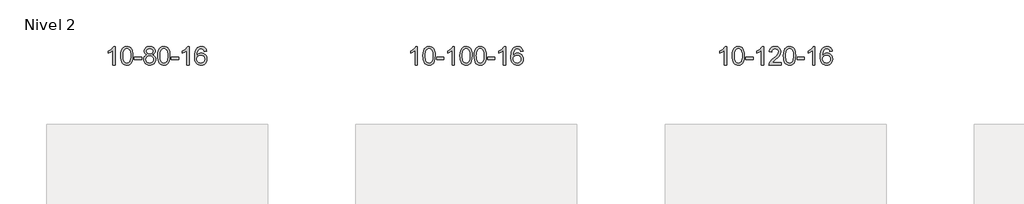
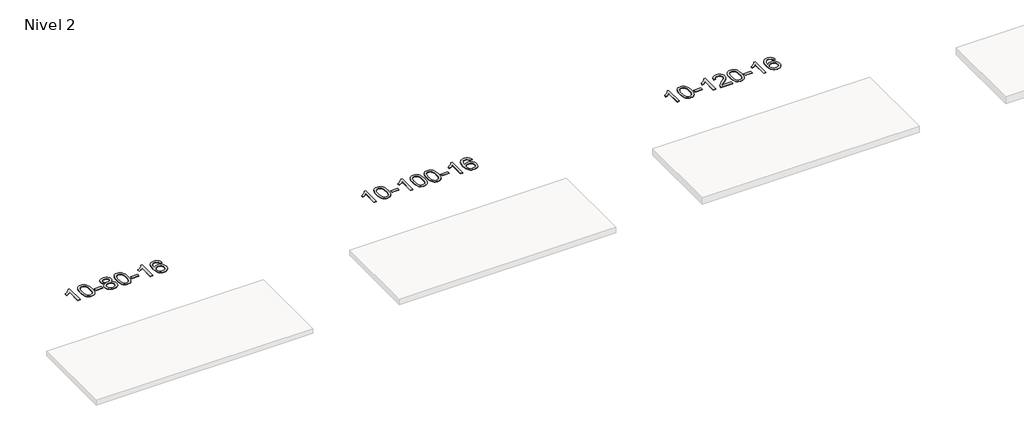
# One storey, part 41 of 51: 3 proxies.
"""IFC4 building model written with IfcOpenShell, lengths in millimetres."""

from ifc_helpers import new_model, si_unit, frame, origin, place, context, project, spatial, polyline, outline, extrude, element, save

model = new_model("IFC4")

# Units and contexts
model_context = context("Model", 3, world=origin())
ifc_project = project(units=[si_unit("LENGTHUNIT", "METRE", prefix="MILLI")], contexts=[model_context])

# Site, building, storey
site = spatial("IfcSite", under=ifc_project)
building = spatial("IfcBuilding", under=site)
storey = spatial("IfcBuildingStorey", under=building, Name="Nivel 2", Elevation=3000.0)

# Proxies
placement = place(None, origin())
element("IfcBuildingElementProxy", 1, Name="Texto de modelo 1", ObjectType="Texto de modelo 1", at=placement, inside=storey, context=model_context, shape_type="SweptSolid", body=[
    extrude(outline(polyline([(11539.5560047, -39113.543941), (11489.3278496, -39113.543941), (11489.3278496, -38800.4027867), (11468.3585759, -38817.3621467), (11441.7484449, -38834.2969812), (11388.8715394, -38859.6563134), (11388.8715394, -38812.1750106), (11428.320752, -38790.7152275), (11462.4969894, -38765.1842171), (11489.4382142, -38738.0345258), (11507.1823891, -38711.7187004), (11539.5560047, -38711.7187004), (11539.5560047, -39113.543941)])), frame((0.0, 0.0, 3000.0), z_axis=(0.0, 0.0, 1.0), x_axis=(1.0, 0.0, 0.0)), (0.0, 0.0, 1.0), 10.0),
    extrude(outline(polyline([(11658.847873, -38915.8686823), (11662.5389556, -38851.5506468), (11673.6122037, -38800.2556339), (11691.9572525, -38761.1988288), (11703.8153155, -38745.9654485), (11717.4637375, -38733.5954164), (11732.9485038, -38724.0243532), (11750.3155997, -38717.1878794), (11790.69678, -38711.7187004), (11821.6479186, -38714.956062), (11849.3616955, -38724.6681467), (11872.5382612, -38740.4748097), (11889.8777659, -38761.9959064), (11902.974365, -38789.0474958), (11913.4222136, -38821.4456369), (11920.2648187, -38862.5871067), (11922.5456871, -38915.8686823), (11918.8913926, -38979.8188358), (11907.9285092, -39030.9912213), (11889.6938249, -39070.0848147), (11877.8633531, -39085.3641802), (11864.2241281, -39097.7985916), (11848.7209677, -39107.4340342), (11831.2986896, -39114.3164932), (11790.69678, -39119.8224604), (11763.032054, -39117.4312275), (11738.5065876, -39110.2575285), (11717.120381, -39098.3013637), (11698.873434, -39081.5627329), (11681.3622511, -39051.3044388), (11668.8542632, -39013.6026657), (11661.3494705, -38968.4574135), (11658.847873, -38915.8686823)]), holes=[polyline([(11709.076028, -38915.7705804), (11710.547556, -38959.4351076), (11714.96214, -38994.7793703), (11722.3197799, -39021.8033685), (11732.6204757, -39040.5071023), (11745.0794126, -39053.2327536), (11758.9117756, -39062.3225046), (11774.1175648, -39067.7763552), (11790.69678, -39069.5943053), (11807.2759953, -39067.7702238), (11822.4817844, -39062.2979791), (11836.3141474, -39053.1775713), (11848.7730843, -39040.4090004), (11859.0737802, -39021.6746098), (11866.4314201, -38994.6567429), (11870.846004, -38959.3553998), (11872.317532, -38915.7705804), (11870.895055, -38873.2618159), (11866.6276238, -38838.5398869), (11859.5152386, -38811.6047935), (11849.5578993, -38792.4565356), (11837.3074288, -38779.1085506), (11823.3156503, -38769.5742755), (11807.5825636, -38763.8537105), (11790.1081688, -38761.9468555), (11773.6147927, -38763.62685), (11758.666521, -38768.6668333), (11745.2633536, -38777.0668055), (11733.4052906, -38788.8267666), (11722.7612383, -38809.673413), (11715.1583437, -38837.7795975), (11710.5966069, -38873.1453199), (11709.076028, -38915.7705804)])]), frame((0.0, 0.0, 3000.0), z_axis=(0.0, 0.0, 1.0), x_axis=(1.0, 0.0, 0.0)), (0.0, 0.0, 1.0), 10.0),
    extrude(outline(polyline([(11953.938284, -38994.2520727), (11953.938284, -38944.0239177), (12110.9012686, -38944.0239177), (12110.9012686, -38994.2520727), (11953.938284, -38994.2520727)])), frame((0.0, 0.0, 3000.0), z_axis=(0.0, 0.0, 1.0), x_axis=(1.0, 0.0, 0.0)), (0.0, 0.0, 1.0), 10.0),
    extrude(outline(polyline([(12228.0348959, -38892.2261327), (12201.142722, -38878.9823809), (12182.2703757, -38861.0297395), (12171.1235512, -38838.7360906), (12167.4079431, -38812.4693162), (12169.4312941, -38791.9844204), (12175.501347, -38773.2040446), (12185.6181019, -38756.1281886), (12199.7815587, -38740.7568526), (12217.3111357, -38728.052661), (12237.5262514, -38718.9782385), (12260.4269056, -38713.5335849), (12286.0130983, -38711.7187004), (12311.7219184, -38713.5765045), (12334.7942509, -38719.1499167), (12355.2300957, -38728.4389371), (12373.0294529, -38741.4435656), (12387.4504271, -38757.1153386), (12397.751123, -38774.4057924), (12403.9315405, -38793.314927), (12405.9916797, -38813.8427423), (12402.3251225, -38839.2633882), (12391.3254508, -38861.1768923), (12372.8700374, -38879.0191691), (12346.8362549, -38892.2261327), (12377.7506052, -38908.1554231), (12400.2527206, -38931.6140317), (12413.974719, -38961.473787), (12418.5487185, -38996.6065175), (12416.2801128, -39021.6592814), (12409.4742959, -39044.6273806), (12398.1312677, -39065.5108152), (12382.2510283, -39084.3095852), (12362.6674434, -39099.8464681), (12340.214379, -39110.9442416), (12314.891835, -39117.6029057), (12286.6998114, -39119.8224604), (12258.5077878, -39117.5937087), (12233.1852438, -39110.9074534), (12210.7321794, -39099.7636946), (12191.1485945, -39084.1624324), (12175.2683551, -39065.231838), (12163.9253269, -39044.1000831), (12157.11951, -39020.7671675), (12154.8509043, -38995.2330914), (12159.6088448, -38958.7391975), (12173.8826662, -38928.7200267), (12196.9366046, -38906.2056486), (12228.0348959, -38892.2261327)]), holes=[polyline([(12217.6360982, -38813.9408442), (12222.0874703, -38835.8666111), (12235.4415867, -38853.377794), (12257.30604, -38864.8557123), (12287.2884226, -38868.681685), (12316.5718294, -38864.8802378), (12338.1051889, -38853.4758959), (12351.3489407, -38836.5533241), (12355.7635246, -38816.1971871), (12351.2017879, -38795.0684978), (12337.5165777, -38777.594103), (12315.6889126, -38765.8586674), (12286.6998114, -38761.9468555), (12257.5267692, -38765.7728283), (12235.7358923, -38777.2507465), (12222.1610467, -38794.0752164), (12217.6360982, -38813.9408442)]), polyline([(12205.0790594, -38993.4672578), (12207.1759868, -39012.6829607), (12213.4667689, -39031.2855269), (12225.0795772, -39047.5091229), (12243.1425832, -39059.5879151), (12264.7740445, -39067.0927078), (12287.0922189, -39069.5943053), (12321.2807189, -39064.3335928), (12335.1743956, -39057.7577022), (12346.9343567, -39048.5514552), (12362.9740117, -39024.6513883), (12368.3205634, -38995.0368877), (12362.8023335, -38964.919615), (12346.2476437, -38940.4922505), (12334.1688515, -38931.049946), (12320.0053947, -38924.3054427), (12285.4244871, -38918.9098401), (12251.7142337, -38924.2318663), (12237.9769068, -38930.8843991), (12226.3181133, -38940.1979449), (12210.3888229, -38964.1593255), (12205.0790594, -38993.4672578)])]), frame((0.0, 0.0, 3000.0), z_axis=(0.0, 0.0, 1.0), x_axis=(1.0, 0.0, 0.0)), (0.0, 0.0, 1.0), 10.0),
    extrude(outline(polyline([(12462.4983542, -38915.8686823), (12466.1894368, -38851.5506468), (12477.2626849, -38800.2556339), (12495.6077337, -38761.1988288), (12507.4657967, -38745.9654485), (12521.1142187, -38733.5954164), (12536.598985, -38724.0243532), (12553.9660809, -38717.1878794), (12594.3472612, -38711.7187004), (12625.2983998, -38714.956062), (12653.0121767, -38724.6681467), (12676.1887424, -38740.4748097), (12693.5282471, -38761.9959064), (12706.6248462, -38789.0474958), (12717.0726948, -38821.4456369), (12723.9152999, -38862.5871067), (12726.1961683, -38915.8686823), (12722.5418738, -38979.8188358), (12711.5789904, -39030.9912213), (12693.3443061, -39070.0848147), (12681.5138343, -39085.3641802), (12667.8746093, -39097.7985916), (12652.3714489, -39107.4340342), (12634.9491708, -39114.3164932), (12594.3472612, -39119.8224604), (12566.6825352, -39117.4312275), (12542.1570688, -39110.2575285), (12520.7708622, -39098.3013637), (12502.5239152, -39081.5627329), (12485.0127323, -39051.3044388), (12472.5047444, -39013.6026657), (12464.9999517, -38968.4574135), (12462.4983542, -38915.8686823)]), holes=[polyline([(12512.7265092, -38915.7705804), (12514.1980372, -38959.4351076), (12518.6126212, -38994.7793703), (12525.9702611, -39021.8033685), (12536.2709569, -39040.5071023), (12548.7298938, -39053.2327536), (12562.5622568, -39062.3225046), (12577.768046, -39067.7763552), (12594.3472612, -39069.5943053), (12610.9264765, -39067.7702238), (12626.1322656, -39062.2979791), (12639.9646286, -39053.1775713), (12652.4235655, -39040.4090004), (12662.7242614, -39021.6746098), (12670.0819013, -38994.6567429), (12674.4964852, -38959.3553998), (12675.9680132, -38915.7705804), (12674.5455362, -38873.2618159), (12670.278105, -38838.5398869), (12663.1657198, -38811.6047935), (12653.2083805, -38792.4565356), (12640.95791, -38779.1085506), (12626.9661315, -38769.5742755), (12611.2330448, -38763.8537105), (12593.75865, -38761.9468555), (12577.2652739, -38763.62685), (12562.3170022, -38768.6668333), (12548.9138348, -38777.0668055), (12537.0557718, -38788.8267666), (12526.4117194, -38809.673413), (12518.8088249, -38837.7795975), (12514.2470881, -38873.1453199), (12512.7265092, -38915.7705804)])]), frame((0.0, 0.0, 3000.0), z_axis=(0.0, 0.0, 1.0), x_axis=(1.0, 0.0, 0.0)), (0.0, 0.0, 1.0), 10.0),
    extrude(outline(polyline([(12757.5887652, -38994.2520727), (12757.5887652, -38944.0239177), (12914.5517498, -38944.0239177), (12914.5517498, -38994.2520727), (12757.5887652, -38994.2520727)])), frame((0.0, 0.0, 3000.0), z_axis=(0.0, 0.0, 1.0), x_axis=(1.0, 0.0, 0.0)), (0.0, 0.0, 1.0), 10.0),
    extrude(outline(polyline([(13146.856967, -39113.543941), (13096.628812, -39113.543941), (13096.628812, -38800.4027867), (13075.6595382, -38817.3621467), (13049.0494073, -38834.2969812), (12996.1725018, -38859.6563134), (12996.1725018, -38812.1750106), (13035.6217144, -38790.7152275), (13069.7979518, -38765.1842171), (13096.7391766, -38738.0345258), (13114.4833515, -38711.7187004), (13146.856967, -38711.7187004), (13146.856967, -39113.543941)])), frame((0.0, 0.0, 3000.0), z_axis=(0.0, 0.0, 1.0), x_axis=(1.0, 0.0, 0.0)), (0.0, 0.0, 1.0), 10.0),
    extrude(outline(polyline([(13523.5681301, -38818.45353), (13473.339975, -38824.7320494), (13465.2465711, -38799.838701), (13454.3082132, -38782.8425528), (13431.5240549, -38767.1707798), (13403.9819562, -38761.9468555), (13380.6337123, -38764.9880133), (13358.6588944, -38774.1114868), (13339.7865481, -38793.3271897), (13324.3722925, -38819.7779052), (13313.961232, -38857.1915041), (13310.098471, -38909.2958573), (13330.2461416, -38885.7881978), (13354.3914633, -38869.2212453), (13381.1855352, -38859.398796), (13409.2794569, -38856.1246463), (13433.4125158, -38858.3625951), (13455.6816393, -38865.0764415), (13476.0868273, -38876.2661855), (13494.6280798, -38891.9318271), (13510.0362041, -38911.1413987), (13521.0420071, -38932.9629323), (13527.6454889, -38957.3964282), (13529.8466495, -38984.4418862), (13525.7018457, -39020.4084826), (13513.2674342, -39053.7508541), (13493.5734848, -39082.0287168), (13467.6500668, -39102.8017868), (13436.6744028, -39115.567292), (13401.8237152, -39119.8224604), (13371.8811864, -39117.0020318), (13344.8387941, -39108.5407459), (13320.6965382, -39094.4386028), (13299.4544186, -39074.6956023), (13282.1363737, -39048.4778788), (13269.7663416, -39014.9515663), (13262.3443224, -38974.1166649), (13259.870316, -38925.9731744), (13262.6171682, -38871.9987544), (13270.8577249, -38825.9337972), (13284.591986, -38787.7783029), (13303.8199517, -38757.5322716), (13324.6604667, -38737.4888342), (13348.8241824, -38723.1720932), (13376.3110988, -38714.5820486), (13407.1212159, -38711.7187004), (13430.254862, -38713.4906654), (13451.1934789, -38718.8065602), (13469.9370666, -38727.6663849), (13486.485625, -38740.0701395), (13500.3915644, -38755.6008911), (13511.2072951, -38773.8417067), (13518.932817, -38794.7925863), (13523.5681301, -38818.45353)]), holes=[polyline([(13310.098471, -38983.6570713), (13313.0047388, -39005.913932), (13321.7235421, -39027.1652486), (13335.2615995, -39045.436721), (13352.6256297, -39058.7540492), (13373.5826407, -39066.8842413), (13397.8996406, -39069.5943053), (13431.0458083, -39063.9779736), (13444.9609448, -39056.9575588), (13457.1041163, -39047.1289782), (13466.9541567, -39034.8907705), (13473.9898999, -39020.6414745), (13479.6184944, -38986.1096179), (13474.0634763, -38952.9634501), (13467.1197036, -38939.3426193), (13457.3984219, -38927.6899571), (13445.2184622, -38918.3549514), (13430.8986555, -38911.6870903), (13395.8395014, -38906.3528014), (13362.7423846, -38911.6870903), (13335.0653958, -38927.6899571), (13324.1423662, -38939.1893351), (13316.3402022, -38952.3503135), (13311.6589038, -38967.1728922), (13310.098471, -38983.6570713)])]), frame((0.0, 0.0, 3000.0), z_axis=(0.0, 0.0, 1.0), x_axis=(1.0, 0.0, 0.0)), (0.0, 0.0, 1.0), 10.0),
])
element("IfcBuildingElementProxy", 2, Name="Texto de modelo 1", ObjectType="Texto de modelo 1", at=placement, inside=storey, context=model_context, shape_type="SweptSolid", body=[
    extrude(outline(polyline([(18100.6728146, -39113.543941), (18050.4446595, -39113.543941), (18050.4446595, -38800.4027867), (18029.4753858, -38817.3621467), (18002.8652548, -38834.2969812), (17949.9883493, -38859.6563134), (17949.9883493, -38812.1750106), (17989.437562, -38790.7152275), (18023.6137993, -38765.1842171), (18050.5550241, -38738.0345258), (18068.299199, -38711.7187004), (18100.6728146, -38711.7187004), (18100.6728146, -39113.543941)])), frame((0.0, 0.0, 3000.0), z_axis=(0.0, 0.0, 1.0), x_axis=(1.0, 0.0, 0.0)), (0.0, 0.0, 1.0), 10.0),
    extrude(outline(polyline([(18219.9646829, -38915.8686823), (18223.6557656, -38851.5506468), (18234.7290136, -38800.2556339), (18253.0740624, -38761.1988288), (18264.9321254, -38745.9654485), (18278.5805474, -38733.5954164), (18294.0653137, -38724.0243532), (18311.4324096, -38717.1878794), (18351.8135899, -38711.7187004), (18382.7647285, -38714.956062), (18410.4785054, -38724.6681467), (18433.6550711, -38740.4748097), (18450.9945758, -38761.9959064), (18464.0911749, -38789.0474958), (18474.5390235, -38821.4456369), (18481.3816286, -38862.5871067), (18483.662497, -38915.8686823), (18480.0082025, -38979.8188358), (18469.0453191, -39030.9912213), (18450.8106348, -39070.0848147), (18438.980163, -39085.3641802), (18425.340938, -39097.7985916), (18409.8377776, -39107.4340342), (18392.4154995, -39114.3164932), (18351.8135899, -39119.8224604), (18324.1488639, -39117.4312275), (18299.6233976, -39110.2575285), (18278.2371909, -39098.3013637), (18259.9902439, -39081.5627329), (18242.479061, -39051.3044388), (18229.9710731, -39013.6026657), (18222.4662804, -38968.4574135), (18219.9646829, -38915.8686823)]), holes=[polyline([(18270.1928379, -38915.7705804), (18271.6643659, -38959.4351076), (18276.0789499, -38994.7793703), (18283.4365898, -39021.8033685), (18293.7372856, -39040.5071023), (18306.1962225, -39053.2327536), (18320.0285856, -39062.3225046), (18335.2343747, -39067.7763552), (18351.8135899, -39069.5943053), (18368.3928052, -39067.7702238), (18383.5985943, -39062.2979791), (18397.4309573, -39053.1775713), (18409.8898942, -39040.4090004), (18420.1905901, -39021.6746098), (18427.54823, -38994.6567429), (18431.962814, -38959.3553998), (18433.4343419, -38915.7705804), (18432.0118649, -38873.2618159), (18427.7444337, -38838.5398869), (18420.6320485, -38811.6047935), (18410.6747092, -38792.4565356), (18398.4242387, -38779.1085506), (18384.4324602, -38769.5742755), (18368.6993735, -38763.8537105), (18351.2249787, -38761.9468555), (18334.7316026, -38763.62685), (18319.7833309, -38768.6668333), (18306.3801635, -38777.0668055), (18294.5221006, -38788.8267666), (18283.8780482, -38809.673413), (18276.2751536, -38837.7795975), (18271.7134169, -38873.1453199), (18270.1928379, -38915.7705804)])]), frame((0.0, 0.0, 3000.0), z_axis=(0.0, 0.0, 1.0), x_axis=(1.0, 0.0, 0.0)), (0.0, 0.0, 1.0), 10.0),
    extrude(outline(polyline([(18515.0550939, -38994.2520727), (18515.0550939, -38944.0239177), (18672.0180785, -38944.0239177), (18672.0180785, -38994.2520727), (18515.0550939, -38994.2520727)])), frame((0.0, 0.0, 3000.0), z_axis=(0.0, 0.0, 1.0), x_axis=(1.0, 0.0, 0.0)), (0.0, 0.0, 1.0), 10.0),
    extrude(outline(polyline([(18904.3232958, -39113.543941), (18854.0951407, -39113.543941), (18854.0951407, -38800.4027867), (18833.125867, -38817.3621467), (18806.515736, -38834.2969812), (18753.6388305, -38859.6563134), (18753.6388305, -38812.1750106), (18793.0880432, -38790.7152275), (18827.2642805, -38765.1842171), (18854.2055053, -38738.0345258), (18871.9496802, -38711.7187004), (18904.3232958, -38711.7187004), (18904.3232958, -39113.543941)])), frame((0.0, 0.0, 3000.0), z_axis=(0.0, 0.0, 1.0), x_axis=(1.0, 0.0, 0.0)), (0.0, 0.0, 1.0), 10.0),
    extrude(outline(polyline([(19023.6151641, -38915.8686823), (19027.3062467, -38851.5506468), (19038.3794948, -38800.2556339), (19056.7245436, -38761.1988288), (19068.5826066, -38745.9654485), (19082.2310286, -38733.5954164), (19097.7157949, -38724.0243532), (19115.0828908, -38717.1878794), (19155.4640711, -38711.7187004), (19186.4152097, -38714.956062), (19214.1289866, -38724.6681467), (19237.3055523, -38740.4748097), (19254.645057, -38761.9959064), (19267.7416561, -38789.0474958), (19278.1895047, -38821.4456369), (19285.0321098, -38862.5871067), (19287.3129782, -38915.8686823), (19283.6586837, -38979.8188358), (19272.6958003, -39030.9912213), (19254.461116, -39070.0848147), (19242.6306442, -39085.3641802), (19228.9914192, -39097.7985916), (19213.4882588, -39107.4340342), (19196.0659807, -39114.3164932), (19155.4640711, -39119.8224604), (19127.7993451, -39117.4312275), (19103.2738788, -39110.2575285), (19081.8876721, -39098.3013637), (19063.6407251, -39081.5627329), (19046.1295422, -39051.3044388), (19033.6215543, -39013.6026657), (19026.1167616, -38968.4574135), (19023.6151641, -38915.8686823)]), holes=[polyline([(19073.8433191, -38915.7705804), (19075.3148471, -38959.4351076), (19079.7294311, -38994.7793703), (19087.087071, -39021.8033685), (19097.3877668, -39040.5071023), (19109.8467037, -39053.2327536), (19123.6790668, -39062.3225046), (19138.8848559, -39067.7763552), (19155.4640711, -39069.5943053), (19172.0432864, -39067.7702238), (19187.2490755, -39062.2979791), (19201.0814385, -39053.1775713), (19213.5403754, -39040.4090004), (19223.8410713, -39021.6746098), (19231.1987112, -38994.6567429), (19235.6132951, -38959.3553998), (19237.0848231, -38915.7705804), (19235.6623461, -38873.2618159), (19231.3949149, -38838.5398869), (19224.2825297, -38811.6047935), (19214.3251904, -38792.4565356), (19202.0747199, -38779.1085506), (19188.0829414, -38769.5742755), (19172.3498547, -38763.8537105), (19154.8754599, -38761.9468555), (19138.3820838, -38763.62685), (19123.4338121, -38768.6668333), (19110.0306447, -38777.0668055), (19098.1725818, -38788.8267666), (19087.5285294, -38809.673413), (19079.9256348, -38837.7795975), (19075.3638981, -38873.1453199), (19073.8433191, -38915.7705804)])]), frame((0.0, 0.0, 3000.0), z_axis=(0.0, 0.0, 1.0), x_axis=(1.0, 0.0, 0.0)), (0.0, 0.0, 1.0), 10.0),
    extrude(outline(polyline([(19331.2626139, -38915.8686823), (19334.9536966, -38851.5506468), (19346.0269446, -38800.2556339), (19364.3719935, -38761.1988288), (19376.2300564, -38745.9654485), (19389.8784785, -38733.5954164), (19405.3632448, -38724.0243532), (19422.7303406, -38717.1878794), (19463.111521, -38711.7187004), (19494.0626595, -38714.956062), (19521.7764365, -38724.6681467), (19544.9530022, -38740.4748097), (19562.2925069, -38761.9959064), (19575.3891059, -38789.0474958), (19585.8369546, -38821.4456369), (19592.6795597, -38862.5871067), (19594.960428, -38915.8686823), (19591.3061336, -38979.8188358), (19580.3432501, -39030.9912213), (19562.1085659, -39070.0848147), (19550.278094, -39085.3641802), (19536.6388691, -39097.7985916), (19521.1357087, -39107.4340342), (19503.7134305, -39114.3164932), (19463.111521, -39119.8224604), (19435.4467949, -39117.4312275), (19410.9213286, -39110.2575285), (19389.5351219, -39098.3013637), (19371.288175, -39081.5627329), (19353.776992, -39051.3044388), (19341.2690042, -39013.6026657), (19333.7642115, -38968.4574135), (19331.2626139, -38915.8686823)]), holes=[polyline([(19381.490769, -38915.7705804), (19382.962297, -38959.4351076), (19387.3768809, -38994.7793703), (19394.7345208, -39021.8033685), (19405.0352167, -39040.5071023), (19417.4941536, -39053.2327536), (19431.3265166, -39062.3225046), (19446.5323057, -39067.7763552), (19463.111521, -39069.5943053), (19479.6907362, -39067.7702238), (19494.8965254, -39062.2979791), (19508.7288884, -39053.1775713), (19521.1878253, -39040.4090004), (19531.4885211, -39021.6746098), (19538.846161, -38994.6567429), (19543.260745, -38959.3553998), (19544.732273, -38915.7705804), (19543.3097959, -38873.2618159), (19539.0423648, -38838.5398869), (19531.9299795, -38811.6047935), (19521.9726402, -38792.4565356), (19509.7221698, -38779.1085506), (19495.7303912, -38769.5742755), (19479.9973045, -38763.8537105), (19462.5229098, -38761.9468555), (19446.0295337, -38763.62685), (19431.0812619, -38768.6668333), (19417.6780946, -38777.0668055), (19405.8200316, -38788.8267666), (19395.1759792, -38809.673413), (19387.5730846, -38837.7795975), (19383.0113479, -38873.1453199), (19381.490769, -38915.7705804)])]), frame((0.0, 0.0, 3000.0), z_axis=(0.0, 0.0, 1.0), x_axis=(1.0, 0.0, 0.0)), (0.0, 0.0, 1.0), 10.0),
    extrude(outline(polyline([(19626.353025, -38994.2520727), (19626.353025, -38944.0239177), (19783.3160096, -38944.0239177), (19783.3160096, -38994.2520727), (19626.353025, -38994.2520727)])), frame((0.0, 0.0, 3000.0), z_axis=(0.0, 0.0, 1.0), x_axis=(1.0, 0.0, 0.0)), (0.0, 0.0, 1.0), 10.0),
    extrude(outline(polyline([(20015.6212268, -39113.543941), (19965.3930717, -39113.543941), (19965.3930717, -38800.4027867), (19944.423798, -38817.3621467), (19917.813667, -38834.2969812), (19864.9367616, -38859.6563134), (19864.9367616, -38812.1750106), (19904.3859742, -38790.7152275), (19938.5622115, -38765.1842171), (19965.5034363, -38738.0345258), (19983.2476112, -38711.7187004), (20015.6212268, -38711.7187004), (20015.6212268, -39113.543941)])), frame((0.0, 0.0, 3000.0), z_axis=(0.0, 0.0, 1.0), x_axis=(1.0, 0.0, 0.0)), (0.0, 0.0, 1.0), 10.0),
    extrude(outline(polyline([(20392.3323899, -38818.45353), (20342.1042348, -38824.7320494), (20334.0108309, -38799.838701), (20323.0724729, -38782.8425528), (20300.2883147, -38767.1707798), (20272.746216, -38761.9468555), (20249.397972, -38764.9880133), (20227.4231541, -38774.1114868), (20208.5508078, -38793.3271897), (20193.1365522, -38819.7779052), (20182.7254917, -38857.1915041), (20178.8627308, -38909.2958573), (20199.0104014, -38885.7881978), (20223.155723, -38869.2212453), (20249.949795, -38859.398796), (20278.0437167, -38856.1246463), (20302.1767756, -38858.3625951), (20324.445899, -38865.0764415), (20344.851087, -38876.2661855), (20363.3923396, -38891.9318271), (20378.8004638, -38911.1413987), (20389.8062668, -38932.9629323), (20396.4097486, -38957.3964282), (20398.6109092, -38984.4418862), (20394.4661054, -39020.4084826), (20382.031694, -39053.7508541), (20362.3377445, -39082.0287168), (20336.4143266, -39102.8017868), (20305.4386626, -39115.567292), (20270.5879749, -39119.8224604), (20240.6454462, -39117.0020318), (20213.6030539, -39108.5407459), (20189.4607979, -39094.4386028), (20168.2186784, -39074.6956023), (20150.9006335, -39048.4778788), (20138.5306014, -39014.9515663), (20131.1085821, -38974.1166649), (20128.6345757, -38925.9731744), (20131.3814279, -38871.9987544), (20139.6219846, -38825.9337972), (20153.3562458, -38787.7783029), (20172.5842114, -38757.5322716), (20193.4247264, -38737.4888342), (20217.5884421, -38723.1720932), (20245.0753585, -38714.5820486), (20275.8854756, -38711.7187004), (20299.0191218, -38713.4906654), (20319.9577387, -38718.8065602), (20338.7013263, -38727.6663849), (20355.2498847, -38740.0701395), (20369.1558242, -38755.6008911), (20379.9715548, -38773.8417067), (20387.6970767, -38794.7925863), (20392.3323899, -38818.45353)]), holes=[polyline([(20178.8627308, -38983.6570713), (20181.7689985, -39005.913932), (20190.4878018, -39027.1652486), (20204.0258593, -39045.436721), (20221.3898894, -39058.7540492), (20242.3469004, -39066.8842413), (20266.6639003, -39069.5943053), (20299.8100681, -39063.9779736), (20313.7252045, -39056.9575588), (20325.8683761, -39047.1289782), (20335.7184165, -39034.8907705), (20342.7541596, -39020.6414745), (20348.3827542, -38986.1096179), (20342.827736, -38952.9634501), (20335.8839634, -38939.3426193), (20326.1626817, -38927.6899571), (20313.9827219, -38918.3549514), (20299.6629153, -38911.6870903), (20264.6037611, -38906.3528014), (20231.5066443, -38911.6870903), (20203.8296555, -38927.6899571), (20192.9066259, -38939.1893351), (20185.104462, -38952.3503135), (20180.4231636, -38967.1728922), (20178.8627308, -38983.6570713)])]), frame((0.0, 0.0, 3000.0), z_axis=(0.0, 0.0, 1.0), x_axis=(1.0, 0.0, 0.0)), (0.0, 0.0, 1.0), 10.0),
])
element("IfcBuildingElementProxy", 3, Name="Texto de modelo 1", ObjectType="Texto de modelo 1", at=placement, inside=storey, context=model_context, shape_type="SweptSolid", body=[
    extrude(outline(polyline([(24815.6133494, -39113.543941), (24765.3851943, -39113.543941), (24765.3851943, -38800.4027867), (24744.4159206, -38817.3621467), (24717.8057896, -38834.2969812), (24664.9288842, -38859.6563134), (24664.9288842, -38812.1750106), (24704.3780968, -38790.7152275), (24738.5543341, -38765.1842171), (24765.4955589, -38738.0345258), (24783.2397338, -38711.7187004), (24815.6133494, -38711.7187004), (24815.6133494, -39113.543941)])), frame((0.0, 0.0, 3000.0), z_axis=(0.0, 0.0, 1.0), x_axis=(1.0, 0.0, 0.0)), (0.0, 0.0, 1.0), 10.0),
    extrude(outline(polyline([(24934.9052177, -38915.8686823), (24938.5963004, -38851.5506468), (24949.6695484, -38800.2556339), (24968.0145973, -38761.1988288), (24979.8726602, -38745.9654485), (24993.5210823, -38733.5954164), (25009.0058486, -38724.0243532), (25026.3729444, -38717.1878794), (25066.7541248, -38711.7187004), (25097.7052633, -38714.956062), (25125.4190403, -38724.6681467), (25148.595606, -38740.4748097), (25165.9351107, -38761.9959064), (25179.0317097, -38789.0474958), (25189.4795584, -38821.4456369), (25196.3221635, -38862.5871067), (25198.6030318, -38915.8686823), (25194.9487373, -38979.8188358), (25183.9858539, -39030.9912213), (25165.7511697, -39070.0848147), (25153.9206978, -39085.3641802), (25140.2814729, -39097.7985916), (25124.7783125, -39107.4340342), (25107.3560343, -39114.3164932), (25066.7541248, -39119.8224604), (25039.0893987, -39117.4312275), (25014.5639324, -39110.2575285), (24993.1777257, -39098.3013637), (24974.9307788, -39081.5627329), (24957.4195958, -39051.3044388), (24944.911608, -39013.6026657), (24937.4068153, -38968.4574135), (24934.9052177, -38915.8686823)]), holes=[polyline([(24985.1333728, -38915.7705804), (24986.6049007, -38959.4351076), (24991.0194847, -38994.7793703), (24998.3771246, -39021.8033685), (25008.6778205, -39040.5071023), (25021.1367574, -39053.2327536), (25034.9691204, -39062.3225046), (25050.1749095, -39067.7763552), (25066.7541248, -39069.5943053), (25083.33334, -39067.7702238), (25098.5391291, -39062.2979791), (25112.3714922, -39053.1775713), (25124.8304291, -39040.4090004), (25135.1311249, -39021.6746098), (25142.4887648, -38994.6567429), (25146.9033488, -38959.3553998), (25148.3748768, -38915.7705804), (25146.9523997, -38873.2618159), (25142.6849686, -38838.5398869), (25135.5725833, -38811.6047935), (25125.615244, -38792.4565356), (25113.3647735, -38779.1085506), (25099.372995, -38769.5742755), (25083.6399083, -38763.8537105), (25066.1655136, -38761.9468555), (25049.6721375, -38763.62685), (25034.7238657, -38768.6668333), (25021.3206984, -38777.0668055), (25009.4626354, -38788.8267666), (24998.818583, -38809.673413), (24991.2156884, -38837.7795975), (24986.6539517, -38873.1453199), (24985.1333728, -38915.7705804)])]), frame((0.0, 0.0, 3000.0), z_axis=(0.0, 0.0, 1.0), x_axis=(1.0, 0.0, 0.0)), (0.0, 0.0, 1.0), 10.0),
    extrude(outline(polyline([(25229.9956288, -38994.2520727), (25229.9956288, -38944.0239177), (25386.9586134, -38944.0239177), (25386.9586134, -38994.2520727), (25229.9956288, -38994.2520727)])), frame((0.0, 0.0, 3000.0), z_axis=(0.0, 0.0, 1.0), x_axis=(1.0, 0.0, 0.0)), (0.0, 0.0, 1.0), 10.0),
    extrude(outline(polyline([(25619.2638306, -39113.543941), (25569.0356755, -39113.543941), (25569.0356755, -38800.4027867), (25548.0664018, -38817.3621467), (25521.4562708, -38834.2969812), (25468.5793654, -38859.6563134), (25468.5793654, -38812.1750106), (25508.028578, -38790.7152275), (25542.2048153, -38765.1842171), (25569.1460401, -38738.0345258), (25586.890215, -38711.7187004), (25619.2638306, -38711.7187004), (25619.2638306, -39113.543941)])), frame((0.0, 0.0, 3000.0), z_axis=(0.0, 0.0, 1.0), x_axis=(1.0, 0.0, 0.0)), (0.0, 0.0, 1.0), 10.0),
    extrude(outline(polyline([(25995.9749936, -39063.315786), (25995.9749936, -39113.543941), (25732.2771795, -39113.543941), (25733.3808255, -39095.8610798), (25737.6727821, -39078.9139826), (25750.0581426, -39051.8501304), (25768.1824622, -39025.5956187), (25794.4001858, -38998.1148337), (25831.0657579, -38967.3721616), (25885.2670386, -38919.2286712), (25917.7878069, -38883.6912705), (25934.0481911, -38854.849322), (25939.4683192, -38826.7921885), (25934.3547595, -38801.6413228), (25919.0140803, -38780.7333627), (25895.4328444, -38766.6434823), (25865.5976146, -38761.9468555), (25834.2663313, -38766.5331177), (25809.924806, -38780.2919043), (25794.2162448, -38802.1440949), (25788.783854, -38831.0105687), (25738.5556989, -38824.7320494), (25742.8752466, -38798.8025001), (25750.7325929, -38776.1471005), (25762.1277377, -38756.7658507), (25777.060681, -38740.6587507), (25795.1880664, -38727.9974787), (25816.1665371, -38718.953713), (25839.9960934, -38713.5274536), (25866.6767351, -38711.7187004), (25893.5965001, -38713.7297887), (25917.554815, -38719.7630534), (25938.5516799, -38729.8184946), (25956.5870947, -38743.8961123), (25971.0724483, -38760.9535741), (25981.4191294, -38779.9485478), (25987.627138, -38800.8810333), (25989.6964743, -38823.7510307), (25987.4646568, -38847.773725), (25980.7692045, -38871.3794863), (25968.8866161, -38895.3899179), (25951.0933902, -38920.6266228), (25922.7296884, -38950.7561582), (25879.135672, -38989.4450813), (25821.3536733, -39037.76025), (25798.6921424, -39063.315786), (25995.9749936, -39063.315786)])), frame((0.0, 0.0, 3000.0), z_axis=(0.0, 0.0, 1.0), x_axis=(1.0, 0.0, 0.0)), (0.0, 0.0, 1.0), 10.0),
    extrude(outline(polyline([(26046.2031487, -38915.8686823), (26049.8942314, -38851.5506468), (26060.9674795, -38800.2556339), (26079.3125283, -38761.1988288), (26091.1705913, -38745.9654485), (26104.8190133, -38733.5954164), (26120.3037796, -38724.0243532), (26137.6708755, -38717.1878794), (26178.0520558, -38711.7187004), (26209.0031943, -38714.956062), (26236.7169713, -38724.6681467), (26259.893537, -38740.4748097), (26277.2330417, -38761.9959064), (26290.3296407, -38789.0474958), (26300.7774894, -38821.4456369), (26307.6200945, -38862.5871067), (26309.9009629, -38915.8686823), (26306.2466684, -38979.8188358), (26295.2837849, -39030.9912213), (26277.0491007, -39070.0848147), (26265.2186289, -39085.3641802), (26251.5794039, -39097.7985916), (26236.0762435, -39107.4340342), (26218.6539653, -39114.3164932), (26178.0520558, -39119.8224604), (26150.3873298, -39117.4312275), (26125.8618634, -39110.2575285), (26104.4756568, -39098.3013637), (26086.2287098, -39081.5627329), (26068.7175268, -39051.3044388), (26056.209539, -39013.6026657), (26048.7047463, -38968.4574135), (26046.2031487, -38915.8686823)]), holes=[polyline([(26096.4313038, -38915.7705804), (26097.9028318, -38959.4351076), (26102.3174157, -38994.7793703), (26109.6750556, -39021.8033685), (26119.9757515, -39040.5071023), (26132.4346884, -39053.2327536), (26146.2670514, -39062.3225046), (26161.4728405, -39067.7763552), (26178.0520558, -39069.5943053), (26194.631271, -39067.7702238), (26209.8370602, -39062.2979791), (26223.6694232, -39053.1775713), (26236.1283601, -39040.4090004), (26246.429056, -39021.6746098), (26253.7866959, -38994.6567429), (26258.2012798, -38959.3553998), (26259.6728078, -38915.7705804), (26258.2503307, -38873.2618159), (26253.9828996, -38838.5398869), (26246.8705144, -38811.6047935), (26236.913175, -38792.4565356), (26224.6627046, -38779.1085506), (26210.670926, -38769.5742755), (26194.9378394, -38763.8537105), (26177.4634446, -38761.9468555), (26160.9700685, -38763.62685), (26146.0217967, -38768.6668333), (26132.6186294, -38777.0668055), (26120.7605664, -38788.8267666), (26110.116514, -38809.673413), (26102.5136194, -38837.7795975), (26097.9518827, -38873.1453199), (26096.4313038, -38915.7705804)])]), frame((0.0, 0.0, 3000.0), z_axis=(0.0, 0.0, 1.0), x_axis=(1.0, 0.0, 0.0)), (0.0, 0.0, 1.0), 10.0),
    extrude(outline(polyline([(26341.2935598, -38994.2520727), (26341.2935598, -38944.0239177), (26498.2565444, -38944.0239177), (26498.2565444, -38994.2520727), (26341.2935598, -38994.2520727)])), frame((0.0, 0.0, 3000.0), z_axis=(0.0, 0.0, 1.0), x_axis=(1.0, 0.0, 0.0)), (0.0, 0.0, 1.0), 10.0),
    extrude(outline(polyline([(26730.5617616, -39113.543941), (26680.3336065, -39113.543941), (26680.3336065, -38800.4027867), (26659.3643328, -38817.3621467), (26632.7542018, -38834.2969812), (26579.8772964, -38859.6563134), (26579.8772964, -38812.1750106), (26619.326509, -38790.7152275), (26653.5027464, -38765.1842171), (26680.4439711, -38738.0345258), (26698.188146, -38711.7187004), (26730.5617616, -38711.7187004), (26730.5617616, -39113.543941)])), frame((0.0, 0.0, 3000.0), z_axis=(0.0, 0.0, 1.0), x_axis=(1.0, 0.0, 0.0)), (0.0, 0.0, 1.0), 10.0),
    extrude(outline(polyline([(27107.2729247, -38818.45353), (27057.0447696, -38824.7320494), (27048.9513657, -38799.838701), (27038.0130077, -38782.8425528), (27015.2288495, -38767.1707798), (26987.6867508, -38761.9468555), (26964.3385068, -38764.9880133), (26942.363689, -38774.1114868), (26923.4913426, -38793.3271897), (26908.077087, -38819.7779052), (26897.6660266, -38857.1915041), (26893.8032656, -38909.2958573), (26913.9509362, -38885.7881978), (26938.0962578, -38869.2212453), (26964.8903298, -38859.398796), (26992.9842515, -38856.1246463), (27017.1173104, -38858.3625951), (27039.3864338, -38865.0764415), (27059.7916218, -38876.2661855), (27078.3328744, -38891.9318271), (27093.7409986, -38911.1413987), (27104.7468016, -38932.9629323), (27111.3502835, -38957.3964282), (27113.5514441, -38984.4418862), (27109.4066402, -39020.4084826), (27096.9722288, -39053.7508541), (27077.2782793, -39082.0287168), (27051.3548614, -39102.8017868), (27020.3791974, -39115.567292), (26985.5285097, -39119.8224604), (26955.585981, -39117.0020318), (26928.5435887, -39108.5407459), (26904.4013328, -39094.4386028), (26883.1592132, -39074.6956023), (26865.8411683, -39048.4778788), (26853.4711362, -39014.9515663), (26846.0491169, -38974.1166649), (26843.5751105, -38925.9731744), (26846.3219628, -38871.9987544), (26854.5625195, -38825.9337972), (26868.2967806, -38787.7783029), (26887.5247462, -38757.5322716), (26908.3652612, -38737.4888342), (26932.528977, -38723.1720932), (26960.0158934, -38714.5820486), (26990.8260105, -38711.7187004), (27013.9596566, -38713.4906654), (27034.8982735, -38718.8065602), (27053.6418611, -38727.6663849), (27070.1904196, -38740.0701395), (27084.096359, -38755.6008911), (27094.9120896, -38773.8417067), (27102.6376115, -38794.7925863), (27107.2729247, -38818.45353)]), holes=[polyline([(26893.8032656, -38983.6570713), (26896.7095334, -39005.913932), (26905.4283367, -39027.1652486), (26918.9663941, -39045.436721), (26936.3304242, -39058.7540492), (26957.2874352, -39066.8842413), (26981.6044351, -39069.5943053), (27014.7506029, -39063.9779736), (27028.6657394, -39056.9575588), (27040.8089109, -39047.1289782), (27050.6589513, -39034.8907705), (27057.6946945, -39020.6414745), (27063.323289, -38986.1096179), (27057.7682709, -38952.9634501), (27050.8244982, -38939.3426193), (27041.1032165, -38927.6899571), (27028.9232568, -38918.3549514), (27014.6034501, -38911.6870903), (26979.5442959, -38906.3528014), (26946.4471791, -38911.6870903), (26918.7701903, -38927.6899571), (26907.8471608, -38939.1893351), (26900.0449968, -38952.3503135), (26895.3636984, -38967.1728922), (26893.8032656, -38983.6570713)])]), frame((0.0, 0.0, 3000.0), z_axis=(0.0, 0.0, 1.0), x_axis=(1.0, 0.0, 0.0)), (0.0, 0.0, 1.0), 10.0),
])

save(model, "model.ifc")
